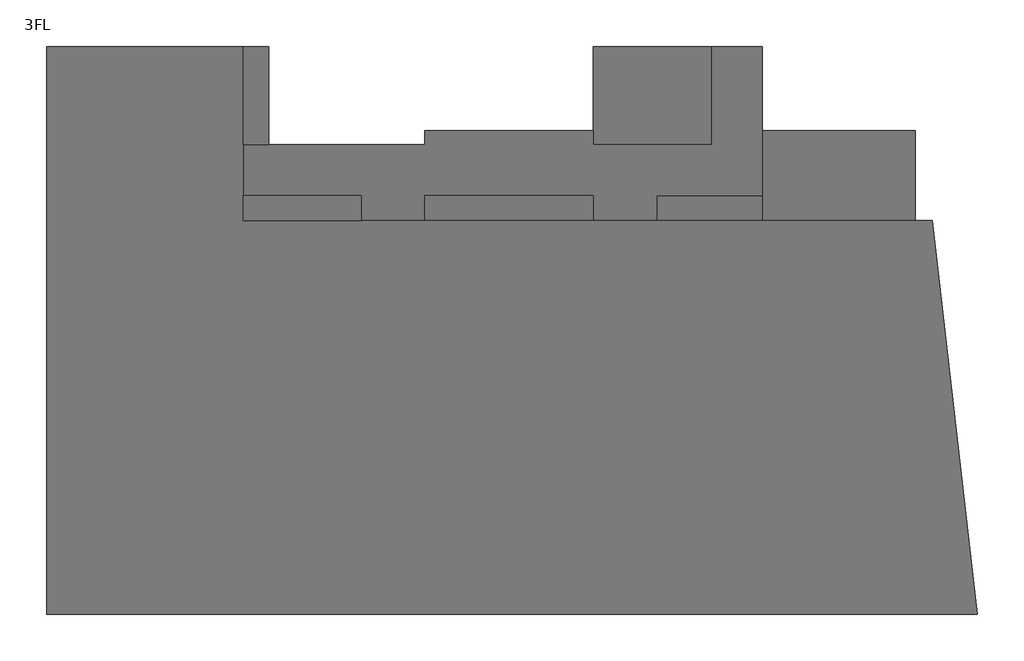
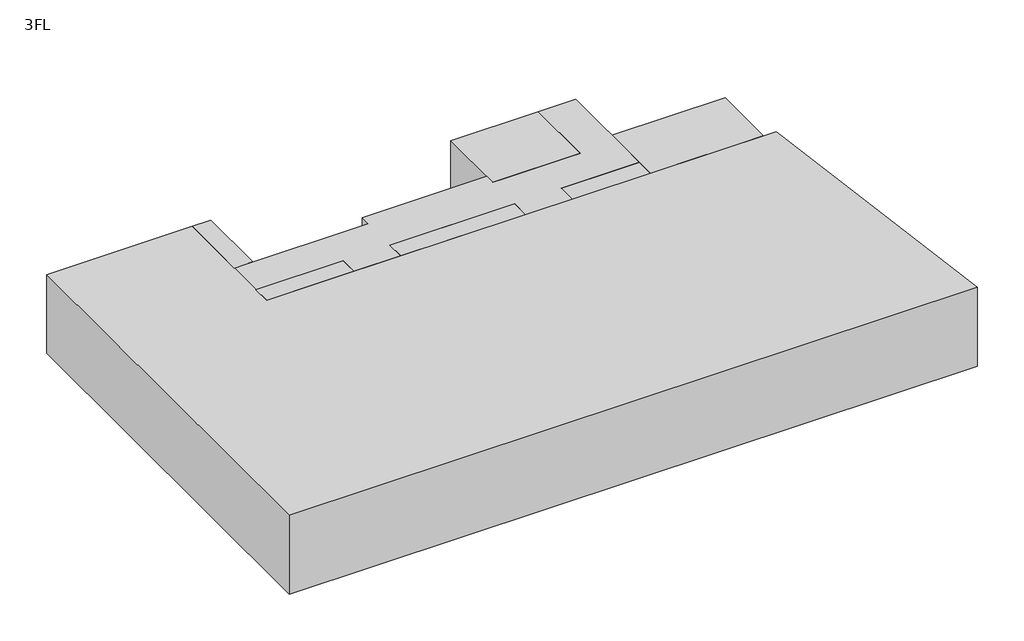
# One storey: 8 proxies.
"""IFC4 building model written with IfcOpenShell, lengths in millimetres."""

import ifcopenshell
import ifcopenshell.guid

model = None  # the IFC model being written
_history = None  # IfcOwnerHistory: only IFC2X3 demands one
_inside = {}  # id of a spatial element -> (the spatial element, [elements in it])
_under = {}  # id of a project, library or spatial element -> (it, [spatial elements below it])
_declared = {}  # id of a project -> (the project, [libraries it declares])
_typed = {}  # id of a type object -> (the type object, [elements of that type])
_made_of = {}  # id of a material, layer set ... -> (it, [elements and type objects made of it])


def new_model(schema):
    """Start an empty IFC model of exactly this schema.

    Asked for "IFC4X3", IfcOpenShell would pick the latest addendum, in which some entities
    have other attributes; the version numbers below select the first issue.
    IFC2X3 requires an IfcOwnerHistory on every rooted entity: one is made here for all.
    """
    global model, _history
    if schema == "IFC4X3":
        model = ifcopenshell.file(schema_version=(4, 3, 0, 0))
    else:
        model = ifcopenshell.file(schema=schema)
    _inside.clear()
    _under.clear()
    _declared.clear()
    _typed.clear()
    _made_of.clear()
    _history = None
    if model.schema == "IFC2X3":
        org = make("IfcOrganization", Name="unknown")
        user = make(
            "IfcPersonAndOrganization",
            ThePerson=make("IfcPerson", FamilyName="unknown"),
            TheOrganization=org,
        )
        app = make(
            "IfcApplication",
            ApplicationDeveloper=org,
            Version="unknown",
            ApplicationFullName="unknown",
            ApplicationIdentifier="unknown",
        )
        _history = make(
            "IfcOwnerHistory",
            OwningUser=user,
            OwningApplication=app,
            ChangeAction="ADDED",
            CreationDate=0,
        )
    return model


def make(cls, **values):
    """One entity of the class cls with the attributes given. An attribute that is None is left unset."""
    return model.create_entity(
        cls, **{name: value for name, value in values.items() if value is not None}
    )


def rooted(cls, **values):
    """An entity with a GlobalId (a new one), such as an element, a storey or a relation."""
    return make(cls, GlobalId=ifcopenshell.guid.new(), OwnerHistory=_history, **values)


def si_unit(unit_type, name, prefix=None):
    """IfcSIUnit, for example si_unit("LENGTHUNIT", "METRE", prefix="MILLI")."""
    return make("IfcSIUnit", UnitType=unit_type, Prefix=prefix, Name=name)


def assignment(units):
    """IfcUnitAssignment: the units of a project."""
    return None if units is None else make("IfcUnitAssignment", Units=units)


def point(xyz):
    """IfcCartesianPoint."""
    return None if xyz is None else make("IfcCartesianPoint", Coordinates=xyz)


def direction(xyz):
    """IfcDirection."""
    return None if xyz is None else make("IfcDirection", DirectionRatios=xyz)


def frame(location, z_axis=None, x_axis=None):
    """IfcAxis2Placement3D, a coordinate frame: its origin and axes. An axis left out is left unset."""
    return make(
        "IfcAxis2Placement3D",
        Location=point(location),
        Axis=direction(z_axis),
        RefDirection=direction(x_axis),
    )


def origin():
    """The frame at (0, 0, 0) with its axes left unset."""
    return frame((0.0, 0.0, 0.0))


def place(relative_to, where):
    """IfcLocalPlacement: puts the frame where relative to a parent placement (None: the world)."""
    return make(
        "IfcLocalPlacement", PlacementRelTo=relative_to, RelativePlacement=where
    )


def context(
    kind, dimensions, precision=None, world=None, true_north=None, identifier=None
):
    """IfcGeometricRepresentationContext, for example the 3D "Model" context."""
    return make(
        "IfcGeometricRepresentationContext",
        ContextIdentifier=identifier,
        ContextType=kind,
        CoordinateSpaceDimension=dimensions,
        Precision=precision,
        WorldCoordinateSystem=world,
        TrueNorth=true_north,
    )


def project(units=None, contexts=None):
    """IfcProject with its units and contexts."""
    return rooted(
        "IfcProject",
        Name="project",
        RepresentationContexts=contexts,
        UnitsInContext=assignment(units),
    )


def spatial(cls, under=None, at=None, **own):
    """A site, building, storey or space (cls), placed at a placement, below another one or the project."""
    s = rooted(cls, ObjectPlacement=at, **own)
    if under is not None:
        _under.setdefault(under.id(), (under, []))[1].append(s)
    return s


def polyline(points):
    """IfcPolyline through the points."""
    return make("IfcPolyline", Points=[point(p) for p in points])


def outline(outer, holes=None, kind="AREA"):
    """IfcArbitraryClosedProfileDef: a profile drawn as a closed curve; with holes, ...WithVoids."""
    if holes is None:
        return make("IfcArbitraryClosedProfileDef", ProfileType=kind, OuterCurve=outer)
    return make(
        "IfcArbitraryProfileDefWithVoids",
        ProfileType=kind,
        OuterCurve=outer,
        InnerCurves=holes,
    )


def extrude(swept, where, along, depth):
    """IfcExtrudedAreaSolid: the profile swept, set in the frame where, extruded along a direction by depth."""
    return make(
        "IfcExtrudedAreaSolid",
        SweptArea=swept,
        Position=where,
        ExtrudedDirection=direction(along),
        Depth=depth,
    )


def shape(context_of_items, identifier, shape_type, items):
    """IfcShapeRepresentation: the items that make up one representation, for example the "Body"."""
    return make(
        "IfcShapeRepresentation",
        ContextOfItems=context_of_items,
        RepresentationIdentifier=identifier,
        RepresentationType=shape_type,
        Items=items,
    )


def made_of(thing, what):
    """Note that an element or type object is made of a material, layer set ...; save() writes the relation."""
    if what is not None:
        _made_of.setdefault(what.id(), (what, []))[1].append(thing)
    return thing


def element(
    cls,
    number,
    at=None,
    inside=None,
    cuts=None,
    type_object=None,
    material=None,
    context=None,
    identifier="Body",
    shape_type=None,
    held_by="IfcProductDefinitionShape",
    body=None,
    shapes=None,
    **own,
):
    """One element of the class cls, such as IfcWall. Its Tag is "e" and its number.

    at: its placement. inside: the storey or other place that contains it. cuts: it is an
    opening in that element (IfcRelVoidsElement). A single representation is given by context,
    identifier, shape_type and body (its items); several are given by shapes. held_by: the class
    of the entity that holds the representations. save() writes the other relations.
    """
    e = rooted(cls, Tag="e%d" % number, ObjectPlacement=at, **own)
    if body is not None:
        shapes = [shape(context, identifier, shape_type, body)]
    if shapes is not None:
        e.Representation = make(held_by, Representations=shapes)
    if inside is not None:
        _inside.setdefault(inside.id(), (inside, []))[1].append(e)
    if cuts is not None:
        rooted(
            "IfcRelVoidsElement", RelatingBuildingElement=cuts, RelatedOpeningElement=e
        )
    if type_object is not None:
        _typed.setdefault(type_object.id(), (type_object, []))[1].append(e)
    return made_of(e, material)


def aggregate(whole, parts):
    """IfcRelAggregates: a whole, such as a stair, and the parts it consists of."""
    return rooted("IfcRelAggregates", RelatingObject=whole, RelatedObjects=parts)


def save(model, path):
    """Write the relations noted so far, then the file.

    IfcRelAggregates (storeys below a building ...), IfcRelContainedInSpatialStructure (elements
    in a storey), IfcRelDefinesByType, IfcRelAssociatesMaterial and IfcRelDeclares: one each for
    every whole, place, type object, material and project.
    """
    for whole, parts in _under.values():
        aggregate(whole, parts)
    for where, things in _inside.values():
        rooted(
            "IfcRelContainedInSpatialStructure",
            RelatedElements=things,
            RelatingStructure=where,
        )
    for kind, things in _typed.values():
        rooted("IfcRelDefinesByType", RelatedObjects=things, RelatingType=kind)
    for what, things in _made_of.values():
        rooted("IfcRelAssociatesMaterial", RelatedObjects=things, RelatingMaterial=what)
    for by, libraries in _declared.values():
        rooted("IfcRelDeclares", RelatingContext=by, RelatedDefinitions=libraries)
    model.write(path)


model = new_model("IFC4")

# Units and contexts
model_context = context("Model", 3, world=origin())
ifc_project = project(units=[si_unit("LENGTHUNIT", "METRE", prefix="MILLI")], contexts=[model_context])

# Site, building, storey
site = spatial("IfcSite", under=ifc_project)
building = spatial("IfcBuilding", under=site)
storey = spatial("IfcBuildingStorey", under=building, Name="3FL", Elevation=8600.0)

# Proxies
placement = place(None, origin())
element("IfcBuildingElementProxy", 1, Name="Mass", at=placement, inside=storey, context=model_context, shape_type="SweptSolid", body=[
    extrude(outline(polyline([(-28845.9784025, -3550.3131013), (-28845.9784025, 16649.6868987), (-21845.9784025, 16649.6868987), (-21845.9784025, 10449.6868987), (2661.9595949, 10449.6868987), (4261.9595949, -3550.3131013), (-28845.9784025, -3550.3131013)])), frame((0.0, 0.0, 8600.0), z_axis=(0.0, 0.0, 1.0), x_axis=(1.0, 0.0, 0.0)), (0.0, 0.0, 1.0), 4000.0),
])
element("IfcBuildingElementProxy", 2, Name="Mass", at=placement, inside=storey, context=model_context, shape_type="SweptSolid", body=[
    extrude(outline(polyline([(-5195.9784025, 16649.6868987), (-5195.9784025, 13149.6868987), (-9395.9784025, 13149.6868987), (-9395.9784025, 16649.6868987), (-5195.9784025, 16649.6868987)])), frame((0.0, 0.0, 8600.0), z_axis=(0.0, 0.0, 1.0), x_axis=(1.0, 0.0, 0.0)), (0.0, 0.0, 1.0), 4000.0),
])
element("IfcBuildingElementProxy", 3, Name="Mass", at=placement, inside=storey, context=model_context, shape_type="SweptSolid", body=[
    extrude(outline(polyline([(2054.0215975, 13649.6868987), (2054.0215975, 10449.6868987), (-3395.9784025, 10449.6868987), (-3395.9784025, 13649.6868987), (2054.0215975, 13649.6868987)])), frame((0.0, 0.0, 8600.0), z_axis=(0.0, 0.0, 1.0), x_axis=(1.0, 0.0, 0.0)), (0.0, 0.0, 1.0), 4000.0),
])
element("IfcBuildingElementProxy", 4, Name="Mass", at=placement, inside=storey, context=model_context, shape_type="SweptSolid", body=[
    extrude(outline(polyline([(-20945.9784025, 16649.6868987), (-20945.9784025, 13149.6868987), (-21845.9784025, 13149.6868987), (-21845.9784025, 16649.6868987), (-20945.9784025, 16649.6868987)])), frame((0.0, 0.0, 8600.0), z_axis=(0.0, 0.0, 1.0), x_axis=(1.0, 0.0, 0.0)), (0.0, 0.0, 1.0), 4000.0),
])
element("IfcBuildingElementProxy", 5, Name="Mass", at=placement, inside=storey, context=model_context, shape_type="SweptSolid", body=[
    extrude(outline(polyline([(-17645.9784025, 11349.6868987), (-17645.9784025, 10449.6868987), (-21845.9784025, 10449.6868987), (-21845.9784025, 11349.6868987), (-17645.9784025, 11349.6868987)])), frame((0.0, 0.0, 8600.0), z_axis=(0.0, 0.0, 1.0), x_axis=(1.0, 0.0, 0.0)), (0.0, 0.0, 1.0), 4000.0),
])
element("IfcBuildingElementProxy", 6, Name="Mass", at=placement, inside=storey, context=model_context, shape_type="SweptSolid", body=[
    extrude(outline(polyline([(-9395.9784025, 11349.6868987), (-9395.9784025, 10449.6868987), (-15395.9784025, 10449.6868987), (-15395.9784025, 11349.6868987), (-9395.9784025, 11349.6868987)])), frame((0.0, 0.0, 8600.0), z_axis=(0.0, 0.0, 1.0), x_axis=(1.0, 0.0, 0.0)), (0.0, 0.0, 1.0), 4000.0),
])
element("IfcBuildingElementProxy", 7, Name="Mass", at=placement, inside=storey, context=model_context, shape_type="SweptSolid", body=[
    extrude(outline(polyline([(-3395.9784025, 11349.6868987), (-3395.9784025, 10449.6868987), (-7145.9784025, 10449.6868987), (-7145.9784025, 11349.6868987), (-3395.9784025, 11349.6868987)])), frame((0.0, 0.0, 8600.0), z_axis=(0.0, 0.0, 1.0), x_axis=(1.0, 0.0, 0.0)), (0.0, 0.0, 1.0), 4000.0),
])
element("IfcBuildingElementProxy", 8, Name="Mass", at=placement, inside=storey, context=model_context, shape_type="SweptSolid", body=[
    extrude(outline(polyline([(-15395.9784025, 13149.6868987), (-15395.9784025, 13649.6868987), (-9395.9784025, 13649.6868987), (-9395.9784025, 13149.6868987), (-5195.9784025, 13149.6868987), (-5195.9784025, 16649.6868987), (-3395.9784025, 16649.6868987), (-3395.9784025, 11349.6868987), (-7145.9784025, 11349.6868987), (-7145.9784025, 10449.6868987), (-9395.9784025, 10449.6868987), (-9395.9784025, 11349.6868987), (-15395.9784025, 11349.6868987), (-15395.9784025, 10449.6868987), (-17645.9784025, 10449.6868987), (-17645.9784025, 11349.6868987), (-21845.9784025, 11349.6868987), (-21845.9784025, 13149.6868987), (-15395.9784025, 13149.6868987)])), frame((0.0, 0.0, 8600.0), z_axis=(0.0, 0.0, 1.0), x_axis=(1.0, 0.0, 0.0)), (0.0, 0.0, 1.0), 4000.0),
])

save(model, "model.ifc")
